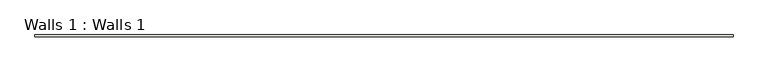
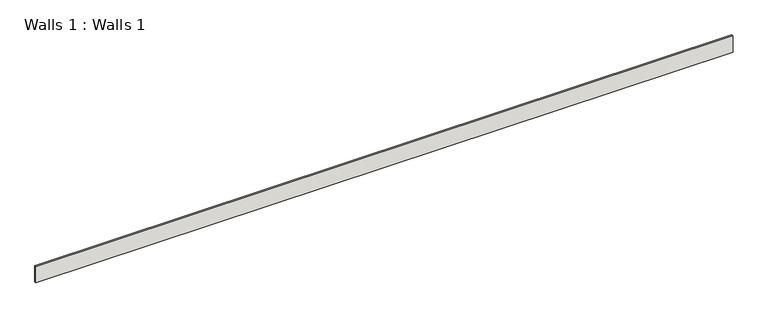
"""IFC4 building model written with IfcOpenShell, lengths in millimetres: wall geometry, Walls 1 : Walls 1."""

import ifcopenshell
import ifcopenshell.guid

model = None  # the IFC model being written
_history = None  # IfcOwnerHistory: only IFC2X3 demands one
_inside = {}  # id of a spatial element -> (the spatial element, [elements in it])
_under = {}  # id of a project, library or spatial element -> (it, [spatial elements below it])
_declared = {}  # id of a project -> (the project, [libraries it declares])
_typed = {}  # id of a type object -> (the type object, [elements of that type])
_made_of = {}  # id of a material, layer set ... -> (it, [elements and type objects made of it])


def new_model(schema):
    """Start an empty IFC model of exactly this schema.

    Asked for "IFC4X3", IfcOpenShell would pick the latest addendum, in which some entities
    have other attributes; the version numbers below select the first issue.
    IFC2X3 requires an IfcOwnerHistory on every rooted entity: one is made here for all.
    """
    global model, _history
    if schema == "IFC4X3":
        model = ifcopenshell.file(schema_version=(4, 3, 0, 0))
    else:
        model = ifcopenshell.file(schema=schema)
    _inside.clear()
    _under.clear()
    _declared.clear()
    _typed.clear()
    _made_of.clear()
    _history = None
    if model.schema == "IFC2X3":
        org = make("IfcOrganization", Name="unknown")
        user = make(
            "IfcPersonAndOrganization",
            ThePerson=make("IfcPerson", FamilyName="unknown"),
            TheOrganization=org,
        )
        app = make(
            "IfcApplication",
            ApplicationDeveloper=org,
            Version="unknown",
            ApplicationFullName="unknown",
            ApplicationIdentifier="unknown",
        )
        _history = make(
            "IfcOwnerHistory",
            OwningUser=user,
            OwningApplication=app,
            ChangeAction="ADDED",
            CreationDate=0,
        )
    return model


def make(cls, **values):
    """One entity of the class cls with the attributes given. An attribute that is None is left unset."""
    return model.create_entity(
        cls, **{name: value for name, value in values.items() if value is not None}
    )


def rooted(cls, **values):
    """An entity with a GlobalId (a new one), such as an element, a storey or a relation."""
    return make(cls, GlobalId=ifcopenshell.guid.new(), OwnerHistory=_history, **values)


def si_unit(unit_type, name, prefix=None):
    """IfcSIUnit, for example si_unit("LENGTHUNIT", "METRE", prefix="MILLI")."""
    return make("IfcSIUnit", UnitType=unit_type, Prefix=prefix, Name=name)


def assignment(units):
    """IfcUnitAssignment: the units of a project."""
    return None if units is None else make("IfcUnitAssignment", Units=units)


def point(xyz):
    """IfcCartesianPoint."""
    return None if xyz is None else make("IfcCartesianPoint", Coordinates=xyz)


def direction(xyz):
    """IfcDirection."""
    return None if xyz is None else make("IfcDirection", DirectionRatios=xyz)


def frame(location, z_axis=None, x_axis=None):
    """IfcAxis2Placement3D, a coordinate frame: its origin and axes. An axis left out is left unset."""
    return make(
        "IfcAxis2Placement3D",
        Location=point(location),
        Axis=direction(z_axis),
        RefDirection=direction(x_axis),
    )


def origin():
    """The frame at (0, 0, 0) with its axes left unset."""
    return frame((0.0, 0.0, 0.0))


def place(relative_to, where):
    """IfcLocalPlacement: puts the frame where relative to a parent placement (None: the world)."""
    return make(
        "IfcLocalPlacement", PlacementRelTo=relative_to, RelativePlacement=where
    )


def context(
    kind, dimensions, precision=None, world=None, true_north=None, identifier=None
):
    """IfcGeometricRepresentationContext, for example the 3D "Model" context."""
    return make(
        "IfcGeometricRepresentationContext",
        ContextIdentifier=identifier,
        ContextType=kind,
        CoordinateSpaceDimension=dimensions,
        Precision=precision,
        WorldCoordinateSystem=world,
        TrueNorth=true_north,
    )


def project(units=None, contexts=None):
    """IfcProject with its units and contexts."""
    return rooted(
        "IfcProject",
        Name="project",
        RepresentationContexts=contexts,
        UnitsInContext=assignment(units),
    )


def spatial(cls, under=None, at=None, **own):
    """A site, building, storey or space (cls), placed at a placement, below another one or the project."""
    s = rooted(cls, ObjectPlacement=at, **own)
    if under is not None:
        _under.setdefault(under.id(), (under, []))[1].append(s)
    return s


def polyline(points):
    """IfcPolyline through the points."""
    return make("IfcPolyline", Points=[point(p) for p in points])


def outline(outer, holes=None, kind="AREA"):
    """IfcArbitraryClosedProfileDef: a profile drawn as a closed curve; with holes, ...WithVoids."""
    if holes is None:
        return make("IfcArbitraryClosedProfileDef", ProfileType=kind, OuterCurve=outer)
    return make(
        "IfcArbitraryProfileDefWithVoids",
        ProfileType=kind,
        OuterCurve=outer,
        InnerCurves=holes,
    )


def extrude(swept, where, along, depth):
    """IfcExtrudedAreaSolid: the profile swept, set in the frame where, extruded along a direction by depth."""
    return make(
        "IfcExtrudedAreaSolid",
        SweptArea=swept,
        Position=where,
        ExtrudedDirection=direction(along),
        Depth=depth,
    )


def shape(context_of_items, identifier, shape_type, items):
    """IfcShapeRepresentation: the items that make up one representation, for example the "Body"."""
    return make(
        "IfcShapeRepresentation",
        ContextOfItems=context_of_items,
        RepresentationIdentifier=identifier,
        RepresentationType=shape_type,
        Items=items,
    )


def source(mapping_origin, context_of_items, identifier, shape_type, items):
    """IfcRepresentationMap: a shape defined once, which mapped items show again and again."""
    return make(
        "IfcRepresentationMap",
        MappingOrigin=mapping_origin,
        MappedRepresentation=shape(context_of_items, identifier, shape_type, items),
    )


def transform(
    local_origin,
    x_axis=None,
    y_axis=None,
    z_axis=None,
    scale=None,
    scale2=None,
    scale3=None,
    uniform=True,
):
    """IfcCartesianTransformationOperator3D, or its non-uniform kind. x_axis, y_axis, z_axis: its Axis1, 2, 3."""
    if uniform:
        return make(
            "IfcCartesianTransformationOperator3D",
            Axis1=direction(x_axis),
            Axis2=direction(y_axis),
            LocalOrigin=point(local_origin),
            Scale=scale,
            Axis3=direction(z_axis),
        )
    return make(
        "IfcCartesianTransformationOperator3DnonUniform",
        Axis1=direction(x_axis),
        Axis2=direction(y_axis),
        LocalOrigin=point(local_origin),
        Scale=scale,
        Axis3=direction(z_axis),
        Scale2=scale2,
        Scale3=scale3,
    )


def mapped(mapping_source, mapping_target):
    """IfcMappedItem: shows the shape of a source again, moved by a transform."""
    return make(
        "IfcMappedItem", MappingSource=mapping_source, MappingTarget=mapping_target
    )


def made_of(thing, what):
    """Note that an element or type object is made of a material, layer set ...; save() writes the relation."""
    if what is not None:
        _made_of.setdefault(what.id(), (what, []))[1].append(thing)
    return thing


def element(
    cls,
    number,
    at=None,
    inside=None,
    cuts=None,
    type_object=None,
    material=None,
    context=None,
    identifier="Body",
    shape_type=None,
    held_by="IfcProductDefinitionShape",
    body=None,
    shapes=None,
    **own,
):
    """One element of the class cls, such as IfcWall. Its Tag is "e" and its number.

    at: its placement. inside: the storey or other place that contains it. cuts: it is an
    opening in that element (IfcRelVoidsElement). A single representation is given by context,
    identifier, shape_type and body (its items); several are given by shapes. held_by: the class
    of the entity that holds the representations. save() writes the other relations.
    """
    e = rooted(cls, Tag="e%d" % number, ObjectPlacement=at, **own)
    if body is not None:
        shapes = [shape(context, identifier, shape_type, body)]
    if shapes is not None:
        e.Representation = make(held_by, Representations=shapes)
    if inside is not None:
        _inside.setdefault(inside.id(), (inside, []))[1].append(e)
    if cuts is not None:
        rooted(
            "IfcRelVoidsElement", RelatingBuildingElement=cuts, RelatedOpeningElement=e
        )
    if type_object is not None:
        _typed.setdefault(type_object.id(), (type_object, []))[1].append(e)
    return made_of(e, material)


def aggregate(whole, parts):
    """IfcRelAggregates: a whole, such as a stair, and the parts it consists of."""
    return rooted("IfcRelAggregates", RelatingObject=whole, RelatedObjects=parts)


def save(model, path):
    """Write the relations noted so far, then the file.

    IfcRelAggregates (storeys below a building ...), IfcRelContainedInSpatialStructure (elements
    in a storey), IfcRelDefinesByType, IfcRelAssociatesMaterial and IfcRelDeclares: one each for
    every whole, place, type object, material and project.
    """
    for whole, parts in _under.values():
        aggregate(whole, parts)
    for where, things in _inside.values():
        rooted(
            "IfcRelContainedInSpatialStructure",
            RelatedElements=things,
            RelatingStructure=where,
        )
    for kind, things in _typed.values():
        rooted("IfcRelDefinesByType", RelatedObjects=things, RelatingType=kind)
    for what, things in _made_of.values():
        rooted("IfcRelAssociatesMaterial", RelatedObjects=things, RelatingMaterial=what)
    for by, libraries in _declared.values():
        rooted("IfcRelDeclares", RelatingContext=by, RelatedDefinitions=libraries)
    model.write(path)


def walls_1_walls_1_3011ff51(model_context):
    return source(origin(), model_context, "Body", "SweptSolid", [
        extrude(outline(polyline([(9258.1409002, -1310.5114294), (14439.7409002, -1310.5114294), (14439.7409002, -1323.2114294), (9258.1409002, -1323.2114294), (9258.1409002, -1310.5114294)])), frame((0.0, 0.0, 2387.6), z_axis=(0.0, 0.0, 1.0), x_axis=(1.0, 0.0, 0.0)), (0.0, 0.0, 1.0), 127.0),
    ])


if __name__ == "__main__":
    model = new_model("IFC4")
    model_context = context("Model", 3, world=origin())
    ifc_project = project(units=[si_unit("LENGTHUNIT", "METRE", prefix="MILLI")], contexts=[model_context])
    site = spatial("IfcSite", under=ifc_project)
    building = spatial("IfcBuilding", under=site)
    placement = place(None, origin())
    walls_1_walls_1_shape = walls_1_walls_1_3011ff51(model_context)
    element("IfcWall", 1, ObjectType="Walls 1 : Walls 1", at=placement, inside=building, context=model_context, shape_type="MappedRepresentation", body=[
        mapped(walls_1_walls_1_shape, transform((0.0, 0.0, 0.0), x_axis=(1.0, 0.0, 0.0), y_axis=(0.0, 1.0, 0.0), z_axis=(0.0, 0.0, 1.0))),
    ])
    save(model, "model.ifc")
